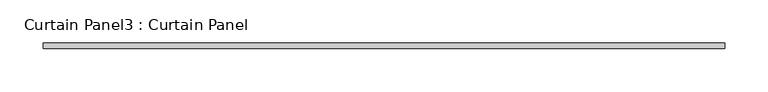
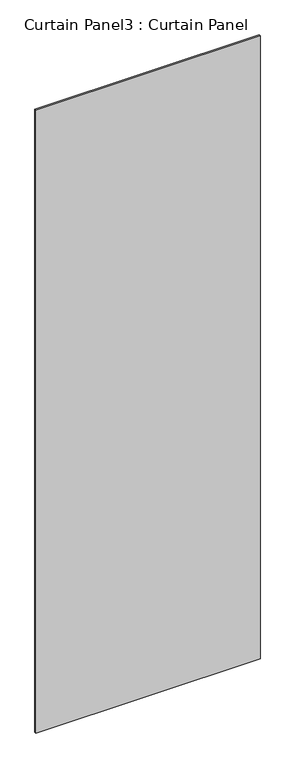
"""IFC4 building model written with IfcOpenShell, lengths in millimetres: plate geometry, Curtain Panel3 : Curtain Panel."""

from ifc_helpers import new_model, si_unit, frame, origin, place, context, project, spatial, polyline, outline, extrude, source, transform, mapped, element, save


def curtain_panel3_curtain_panel_844ac310(model_context):
    return source(origin(), model_context, "Body", "SweptSolid", [
        extrude(outline(polyline([(5811.8015398, -48935.3688442), (7608.0641398, -48935.3688442), (8127.1893398, -48935.3688442), (8127.1893398, -49723.3895567), (5811.8015398, -49723.3895567), (5811.8015398, -48935.3688442)])), frame((0.0, -1987.4352036, 0.0), z_axis=(0.0, 1.0, 0.0), x_axis=(0.0, 0.0, 1.0)), (0.0, 0.0, 1.0), 6.35),
    ])


if __name__ == "__main__":
    model = new_model("IFC4")
    model_context = context("Model", 3, world=origin())
    ifc_project = project(units=[si_unit("LENGTHUNIT", "METRE", prefix="MILLI")], contexts=[model_context])
    site = spatial("IfcSite", under=ifc_project)
    building = spatial("IfcBuilding", under=site)
    placement = place(None, origin())
    curtain_panel3_curtain_panel_shape = curtain_panel3_curtain_panel_844ac310(model_context)
    element("IfcPlate", 1, ObjectType="Curtain Panel3 : Curtain Panel", at=placement, inside=building, context=model_context, shape_type="MappedRepresentation", body=[
        mapped(curtain_panel3_curtain_panel_shape, transform((0.0, 0.0, 0.0), x_axis=(1.0, 0.0, 0.0), y_axis=(0.0, 1.0, 0.0), z_axis=(0.0, 0.0, 1.0))),
    ])
    save(model, "model.ifc")
